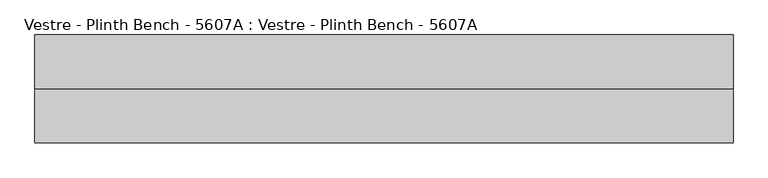
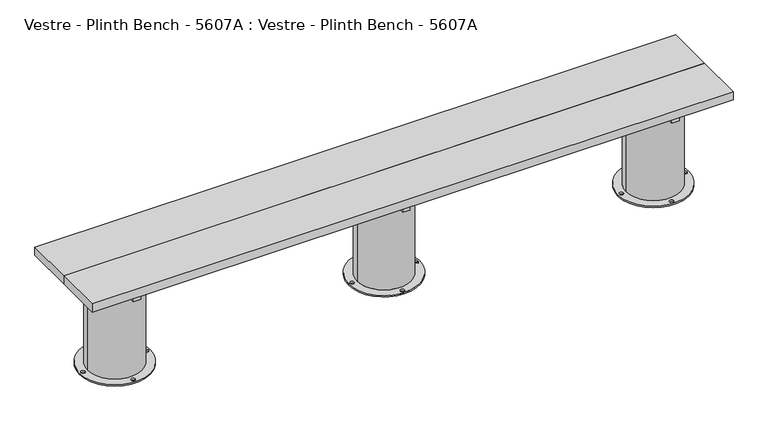
"""IFC4 building model written with IfcOpenShell, lengths in millimetres: furniture geometry, Vestre - Plinth Bench - 5607A : Vestre - Plinth Bench - 5607A."""

from ifc_helpers import new_model, si_unit, frame, origin, place, context, project, spatial, polyline, circle_curve, outline, extrude, source, transform, mapped, element, save
from ifc_brep_helpers import plane_surface, cylinder_surface, revolved_surface, advanced_brep


def vestre_plinth_bench_5607a_vestre_plinth_bench_5607a_1bccc7f6(model_context):
    return source(origin(), model_context, "Body", "SolidModel", [
        extrude(outline(polyline([(1310.5005464, -17.4998463), (1310.5005464, -219.9999989), (-1310.5005464, -219.9999989), (-1310.5005464, -17.4998463), (1310.5005464, -17.4998463)])), frame((0.0, 0.0, 414.9999847), z_axis=(0.0, 0.0, 1.0), x_axis=(1.0, 0.0, 0.0)), (0.0, 0.0, 1.0), 35.0000153),
        extrude(outline(polyline([(-1085.9800473, -378.0001515), (-1115.9983608, -378.0001515), (-1115.9983608, -62.0001515), (-1085.9800473, -62.0001515), (-1085.9800473, -378.0001515)])), frame((0.0, 0.0, 364.9999847), z_axis=(0.0, 0.0, 1.0), x_axis=(1.0, 0.0, 0.0)), (0.0, 0.0, 1.0), 50.0),
        extrude(outline(polyline([(1116.0204991, -378.0001515), (1086.0021856, -378.0001515), (1086.0021856, -62.0001515), (1116.0204991, -62.0001515), (1116.0204991, -378.0001515)])), frame((0.0, 0.0, 364.9999847), z_axis=(0.0, 0.0, 1.0), x_axis=(1.0, 0.0, 0.0)), (0.0, 0.0, 1.0), 50.0),
        extrude(outline(polyline([(15.0204991, -378.0001515), (-14.9978144, -378.0001515), (-14.9978144, -62.0001515), (15.0204991, -62.0001515), (15.0204991, -378.0001515)])), frame((0.0, 0.0, 364.9999847), z_axis=(0.0, 0.0, 1.0), x_axis=(1.0, 0.0, 0.0)), (0.0, 0.0, 1.0), 50.0),
        extrude(outline(polyline([(1089.0011479, -202.4998463), (1089.0011479, -237.5001515), (-1089.0005464, -237.5001515), (-1089.0005464, -202.4998463), (1089.0011479, -202.4998463)])), frame((0.0, 0.0, 274.9999847), z_axis=(0.0, 0.0, 1.0), x_axis=(1.0, 0.0, 0.0)), (0.0, 0.0, 1.0), 90.0),
        extrude(outline(polyline([(1310.5005464, -219.9999989), (1310.5005464, -422.5001515), (-1310.5005464, -422.5001515), (-1310.5005464, -219.9999989), (1310.5005464, -219.9999989)])), frame((0.0, 0.0, 414.9999847), z_axis=(0.0, 0.0, 1.0), x_axis=(1.0, 0.0, 0.0)), (0.0, 0.0, 1.0), 35.0000153),
        advanced_brep(
        [(992.8249813, -237.5001515, 364.9999847), (1210.5868599, -219.9999989, 364.9999847), (992.8250143, -202.4996428, 364.9999847), (1089.0011479, -202.4996428, 364.9999847), (1089.0011479, -237.5001515, 364.9999847), (956.4726273, -219.9999989, 0.0), (1245.5328368, -219.9999989, 0.0), (963.0010928, -219.9999989, 0.0), (979.0010928, -219.9999989, 0.0), (1093.0010928, -90.0001458, 0.0), (1109.0010928, -90.0001458, 0.0), (1239.0043713, -219.9999989, 0.0), (1223.0043713, -219.9999989, 0.0), (1093.0010928, -349.9998521, 0.0), (1109.0010928, -349.9998521, 0.0), (1210.5868599, -219.9999989, 5.8600001), (992.8249813, -237.5001515, 274.9999847), (991.4186041, -219.9999989, 274.9999847), (991.4186041, -219.9999989, 5.8600001), (992.8250143, -202.4996428, 274.9999847), (956.4726273, -219.9999989, 5.8600001), (1245.5328368, -219.9999989, 5.8600001), (963.0010928, -219.9999989, 5.8600001), (979.0010928, -219.9999989, 5.8600001), (1093.0010928, -90.0001458, 5.8600001), (1109.0010928, -90.0001458, 5.8600001), (1239.0043713, -219.9999989, 5.8600001), (1223.0043713, -219.9999989, 5.8600001), (1093.0010928, -349.9998521, 5.8600001), (1109.0010928, -349.9998521, 5.8600001), (1089.0011479, -237.5001515, 274.9999847), (1089.0011479, -202.4996428, 274.9999847)],
        [
            (0, 1, circle_curve(frame((1101.002732, -219.9999989, 364.9999847), z_axis=(0.0, 0.0, 1.0), x_axis=(1.0, 0.0, 0.0)), 109.5841279)),
            (1, 2, circle_curve(frame((1101.002732, -219.9999989, 364.9999847), z_axis=(0.0, 0.0, 1.0), x_axis=(1.0, 0.0, 0.0)), 109.5841279)),
            (2, 3),
            (3, 4),
            (4, 0),
            (5, 6, circle_curve(frame((1101.002732, -219.9999989, 0.0), z_axis=(0.0, 0.0, -1.0), x_axis=(1.0, 0.0, 0.0)), 144.5301047)),
            (6, 5, circle_curve(frame((1101.002732, -219.9999989, 0.0), z_axis=(0.0, 0.0, -1.0), x_axis=(1.0, 0.0, 0.0)), 144.5301047)),
            (7, 8, circle_curve(frame((971.0010928, -219.9999989, 0.0), z_axis=(0.0, 0.0, 1.0), x_axis=(1.0, 0.0, 0.0)), 8.0)),
            (8, 7, circle_curve(frame((971.0010928, -219.9999989, 0.0), z_axis=(0.0, 0.0, 1.0), x_axis=(1.0, 0.0, 0.0)), 8.0)),
            (9, 10, circle_curve(frame((1101.0010928, -90.0001458, 0.0), z_axis=(0.0, 0.0, 1.0), x_axis=(1.0, 0.0, 0.0)), 8.0)),
            (10, 9, circle_curve(frame((1101.0010928, -90.0001458, 0.0), z_axis=(0.0, 0.0, 1.0), x_axis=(1.0, 0.0, 0.0)), 8.0)),
            (11, 12, circle_curve(frame((1231.0043713, -219.9999989, 0.0), z_axis=(0.0, 0.0, 1.0), x_axis=(-1.0, 0.0, 0.0)), 8.0)),
            (12, 11, circle_curve(frame((1231.0043713, -219.9999989, 0.0), z_axis=(0.0, 0.0, 1.0), x_axis=(-1.0, 0.0, 0.0)), 8.0)),
            (13, 14, circle_curve(frame((1101.0010928, -349.9998521, 0.0), z_axis=(0.0, 0.0, 1.0), x_axis=(1.0, 0.0, 0.0)), 8.0)),
            (14, 13, circle_curve(frame((1101.0010928, -349.9998521, 0.0), z_axis=(0.0, 0.0, 1.0), x_axis=(1.0, 0.0, 0.0)), 8.0)),
            (15, 1),
            (0, 16),
            (16, 17, circle_curve(frame((1101.002732, -219.9999989, 274.9999847), z_axis=(0.0, 0.0, -1.0), x_axis=(1.0, 0.0, 0.0)), 109.5841279)),
            (17, 18),
            (18, 15, circle_curve(frame((1101.002732, -219.9999989, 5.8600001), z_axis=(0.0, 0.0, 1.0), x_axis=(1.0, 0.0, 0.0)), 109.5841279)),
            (15, 18, circle_curve(frame((1101.002732, -219.9999989, 5.8600001), z_axis=(0.0, 0.0, 1.0), x_axis=(1.0, 0.0, 0.0)), 109.5841279)),
            (17, 19, circle_curve(frame((1101.002732, -219.9999989, 274.9999847), z_axis=(0.0, 0.0, -1.0), x_axis=(1.0, 0.0, 0.0)), 109.5841279)),
            (19, 2),
            (20, 21, circle_curve(frame((1101.002732, -219.9999989, 5.8600001), z_axis=(0.0, 0.0, 1.0), x_axis=(1.0, 0.0, 0.0)), 144.5301047)),
            (21, 20, circle_curve(frame((1101.002732, -219.9999989, 5.8600001), z_axis=(0.0, 0.0, 1.0), x_axis=(1.0, 0.0, 0.0)), 144.5301047)),
            (22, 23, circle_curve(frame((971.0010928, -219.9999989, 5.8600001), z_axis=(0.0, 0.0, -1.0), x_axis=(1.0, 0.0, 0.0)), 8.0)),
            (23, 22, circle_curve(frame((971.0010928, -219.9999989, 5.8600001), z_axis=(0.0, 0.0, -1.0), x_axis=(1.0, 0.0, 0.0)), 8.0)),
            (24, 25, circle_curve(frame((1101.0010928, -90.0001458, 5.8600001), z_axis=(0.0, 0.0, -1.0), x_axis=(1.0, 0.0, 0.0)), 8.0)),
            (25, 24, circle_curve(frame((1101.0010928, -90.0001458, 5.8600001), z_axis=(0.0, 0.0, -1.0), x_axis=(1.0, 0.0, 0.0)), 8.0)),
            (26, 27, circle_curve(frame((1231.0043713, -219.9999989, 5.8600001), z_axis=(0.0, 0.0, -1.0), x_axis=(-1.0, 0.0, 0.0)), 8.0)),
            (27, 26, circle_curve(frame((1231.0043713, -219.9999989, 5.8600001), z_axis=(0.0, 0.0, -1.0), x_axis=(-1.0, 0.0, 0.0)), 8.0)),
            (28, 29, circle_curve(frame((1101.0010928, -349.9998521, 5.8600001), z_axis=(0.0, 0.0, -1.0), x_axis=(1.0, 0.0, 0.0)), 8.0)),
            (29, 28, circle_curve(frame((1101.0010928, -349.9998521, 5.8600001), z_axis=(0.0, 0.0, -1.0), x_axis=(1.0, 0.0, 0.0)), 8.0)),
            (20, 5),
            (6, 21),
            (22, 7),
            (8, 23),
            (24, 9),
            (10, 25),
            (26, 11),
            (12, 27),
            (28, 13),
            (14, 29),
            (30, 31),
            (31, 19),
            (16, 30),
            (4, 30),
            (3, 31),
        ],
        [
            plane_surface(frame((1210.5868599, -219.9999989, 364.9999847), z_axis=(0.0, 0.0, 1.0), x_axis=(0.0, 1.0, 0.0))),
            plane_surface(frame((1210.5868599, -219.9999989, 0.0), z_axis=(0.0, 0.0, -1.0), x_axis=(0.0, -1.0, 0.0))),
            cylinder_surface(frame((1101.002732, -219.9999989, 0.0), z_axis=(0.0, 0.0, 1.0), x_axis=(1.0, 0.0, 0.0)), 109.5841279),
            plane_surface(frame((1245.5328368, -219.9999989, 5.8600001), z_axis=(0.0, 0.0, 1.0), x_axis=(0.0, 1.0, 0.0))),
            cylinder_surface(frame((1101.002732, -219.9999989, 0.0), z_axis=(0.0, 0.0, 1.0), x_axis=(1.0, 0.0, 0.0)), 144.5301047),
            revolved_surface(polyline([(979.0010928, -219.9999989, 0.0), (979.0010928, -219.9999989, 5.8600001)]), (971.0010928, -219.9999989, 0.0), (0.0, 0.0, -1.0)),
            revolved_surface(polyline([(1109.0010928, -90.0001458, 0.0), (1109.0010928, -90.0001458, 5.8600001)]), (1101.0010928, -90.0001458, 0.0), (0.0, 0.0, -1.0)),
            revolved_surface(polyline([(1223.0043713, -219.9999989, 0.0), (1223.0043713, -219.9999989, 5.8600001)]), (1231.0043713, -219.9999989, 0.0), (0.0, 0.0, -1.0)),
            revolved_surface(polyline([(1109.0010928, -349.9998521, 0.0), (1109.0010928, -349.9998521, 5.8600001)]), (1101.0010928, -349.9998521, 0.0), (0.0, 0.0, -1.0)),
            plane_surface(frame((929.1366784, -202.4996428, 274.9999847), z_axis=(0.0, 0.0, 1.0), x_axis=(0.0, 1.0, 0.0))),
            plane_surface(frame((929.1366784, -237.5001515, 364.9999835), z_axis=(0.0, 1.0, 0.0), x_axis=(0.0, 0.0, -1.0))),
            plane_surface(frame((1089.0011479, -237.5001515, 364.9999835), z_axis=(-1.0, 0.0, 0.0), x_axis=(0.0, 0.0, -1.0))),
            plane_surface(frame((1089.0011479, -202.4996428, 364.9999835), z_axis=(0.0, -1.0, 0.0), x_axis=(0.0, 0.0, -1.0))),
        ],
        [
            (0, [[1, 2, 3, 4, 5]]),
            (1, [[6, 7], [8, 9], [10, 11], [12, 13], [14, 15]]),
            (2, [[16, -1, 17, 18, 19, 20]]),
            (2, [[-16, 21, -19, 22, 23, -2]]),
            (3, [[24, 25], [-20, -21], [26, 27], [28, 29], [30, 31], [32, 33]]),
            (4, [[-24, 34, -7, 35]]),
            (4, [[-25, -35, -6, -34]]),
            (5, [[-26, 36, -9, 37]]),
            (5, [[-27, -37, -8, -36]]),
            (6, [[-28, 38, -11, 39]]),
            (6, [[-29, -39, -10, -38]]),
            (7, [[-30, 40, -13, 41]]),
            (7, [[-31, -41, -12, -40]]),
            (8, [[-32, 42, -15, 43]]),
            (8, [[-33, -43, -14, -42]]),
            (9, [[44, 45, -22, -18, 46]]),
            (10, [[47, -46, -17, -5]]),
            (11, [[-44, -47, -4, 48]]),
            (12, [[-48, -3, -23, -45]]),
        ],
    ),
        advanced_brep(
        [(-108.1750187, -237.5001515, 364.9999847), (108.1804827, -237.5001515, 364.9999847), (108.1804827, -202.4998463, 364.9999847), (-108.1750187, -202.4998463, 364.9999847), (-144.5273727, -219.9999989, 0.0), (144.5328368, -219.9999989, 0.0), (-137.9989072, -219.9999989, 0.0), (-121.9989072, -219.9999989, 0.0), (-7.9989072, -90.0001458, 0.0), (8.0010928, -90.0001458, 0.0), (138.0043713, -219.9999989, 0.0), (122.0043713, -219.9999989, 0.0), (-7.9989072, -349.9998521, 0.0), (8.0010928, -349.9998521, 0.0), (-109.5813959, -219.9999989, 5.8600001), (109.5868599, -219.9999989, 5.8600001), (109.5868599, -219.9999989, 274.9999847), (108.1804827, -237.5001515, 274.9999847), (-108.1750187, -237.5001515, 274.9999847), (-109.5813959, -219.9999989, 274.9999847), (-108.1750187, -202.4998463, 274.9999847), (108.1804827, -202.4998463, 274.9999847), (-144.5273727, -219.9999989, 5.8600001), (144.5328368, -219.9999989, 5.8600001), (-137.9989072, -219.9999989, 5.8600001), (-121.9989072, -219.9999989, 5.8600001), (-7.9989072, -90.0001458, 5.8600001), (8.0010928, -90.0001458, 5.8600001), (138.0043713, -219.9999989, 5.8600001), (122.0043713, -219.9999989, 5.8600001), (-7.9989072, -349.9998521, 5.8600001), (8.0010928, -349.9998521, 5.8600001)],
        [
            (0, 1, circle_curve(frame((0.002732, -219.9999989, 364.9999847), z_axis=(0.0, 0.0, 1.0), x_axis=(1.0, 0.0, 0.0)), 109.5841279)),
            (1, 0),
            (2, 3, circle_curve(frame((0.002732, -219.9999989, 364.9999847), z_axis=(0.0, 0.0, 1.0), x_axis=(1.0, 0.0, 0.0)), 109.5841279)),
            (3, 2),
            (4, 5, circle_curve(frame((0.002732, -219.9999989, 0.0), z_axis=(0.0, 0.0, -1.0), x_axis=(1.0, 0.0, 0.0)), 144.5301047)),
            (5, 4, circle_curve(frame((0.002732, -219.9999989, 0.0), z_axis=(0.0, 0.0, -1.0), x_axis=(1.0, 0.0, 0.0)), 144.5301047)),
            (6, 7, circle_curve(frame((-129.9989072, -219.9999989, 0.0), z_axis=(0.0, 0.0, 1.0), x_axis=(1.0, 0.0, 0.0)), 8.0)),
            (7, 6, circle_curve(frame((-129.9989072, -219.9999989, 0.0), z_axis=(0.0, 0.0, 1.0), x_axis=(1.0, 0.0, 0.0)), 8.0)),
            (8, 9, circle_curve(frame((0.0010928, -90.0001458, 0.0), z_axis=(0.0, 0.0, 1.0), x_axis=(1.0, 0.0, 0.0)), 8.0)),
            (9, 8, circle_curve(frame((0.0010928, -90.0001458, 0.0), z_axis=(0.0, 0.0, 1.0), x_axis=(1.0, 0.0, 0.0)), 8.0)),
            (10, 11, circle_curve(frame((130.0043713, -219.9999989, 0.0), z_axis=(0.0, 0.0, 1.0), x_axis=(-1.0, 0.0, 0.0)), 8.0)),
            (11, 10, circle_curve(frame((130.0043713, -219.9999989, 0.0), z_axis=(0.0, 0.0, 1.0), x_axis=(-1.0, 0.0, 0.0)), 8.0)),
            (12, 13, circle_curve(frame((0.0010928, -349.9998521, 0.0), z_axis=(0.0, 0.0, 1.0), x_axis=(1.0, 0.0, 0.0)), 8.0)),
            (13, 12, circle_curve(frame((0.0010928, -349.9998521, 0.0), z_axis=(0.0, 0.0, 1.0), x_axis=(1.0, 0.0, 0.0)), 8.0)),
            (14, 15, circle_curve(frame((0.002732, -219.9999989, 5.8600001), z_axis=(0.0, 0.0, 1.0), x_axis=(1.0, 0.0, 0.0)), 109.5841279)),
            (15, 16),
            (16, 17, circle_curve(frame((0.002732, -219.9999989, 274.9999847), z_axis=(0.0, 0.0, -1.0), x_axis=(1.0, 0.0, 0.0)), 109.5841279)),
            (17, 1),
            (0, 18),
            (18, 19, circle_curve(frame((0.002732, -219.9999989, 274.9999847), z_axis=(0.0, 0.0, -1.0), x_axis=(1.0, 0.0, 0.0)), 109.5841279)),
            (19, 14),
            (15, 14, circle_curve(frame((0.002732, -219.9999989, 5.8600001), z_axis=(0.0, 0.0, 1.0), x_axis=(1.0, 0.0, 0.0)), 109.5841279)),
            (19, 20, circle_curve(frame((0.002732, -219.9999989, 274.9999847), z_axis=(0.0, 0.0, -1.0), x_axis=(1.0, 0.0, 0.0)), 109.5841279)),
            (20, 3),
            (2, 21),
            (21, 16, circle_curve(frame((0.002732, -219.9999989, 274.9999847), z_axis=(0.0, 0.0, -1.0), x_axis=(1.0, 0.0, 0.0)), 109.5841279)),
            (22, 23, circle_curve(frame((0.002732, -219.9999989, 5.8600001), z_axis=(0.0, 0.0, 1.0), x_axis=(1.0, 0.0, 0.0)), 144.5301047)),
            (23, 22, circle_curve(frame((0.002732, -219.9999989, 5.8600001), z_axis=(0.0, 0.0, 1.0), x_axis=(1.0, 0.0, 0.0)), 144.5301047)),
            (24, 25, circle_curve(frame((-129.9989072, -219.9999989, 5.8600001), z_axis=(0.0, 0.0, -1.0), x_axis=(1.0, 0.0, 0.0)), 8.0)),
            (25, 24, circle_curve(frame((-129.9989072, -219.9999989, 5.8600001), z_axis=(0.0, 0.0, -1.0), x_axis=(1.0, 0.0, 0.0)), 8.0)),
            (26, 27, circle_curve(frame((0.0010928, -90.0001458, 5.8600001), z_axis=(0.0, 0.0, -1.0), x_axis=(1.0, 0.0, 0.0)), 8.0)),
            (27, 26, circle_curve(frame((0.0010928, -90.0001458, 5.8600001), z_axis=(0.0, 0.0, -1.0), x_axis=(1.0, 0.0, 0.0)), 8.0)),
            (28, 29, circle_curve(frame((130.0043713, -219.9999989, 5.8600001), z_axis=(0.0, 0.0, -1.0), x_axis=(-1.0, 0.0, 0.0)), 8.0)),
            (29, 28, circle_curve(frame((130.0043713, -219.9999989, 5.8600001), z_axis=(0.0, 0.0, -1.0), x_axis=(-1.0, 0.0, 0.0)), 8.0)),
            (30, 31, circle_curve(frame((0.0010928, -349.9998521, 5.8600001), z_axis=(0.0, 0.0, -1.0), x_axis=(1.0, 0.0, 0.0)), 8.0)),
            (31, 30, circle_curve(frame((0.0010928, -349.9998521, 5.8600001), z_axis=(0.0, 0.0, -1.0), x_axis=(1.0, 0.0, 0.0)), 8.0)),
            (22, 4),
            (5, 23),
            (24, 6),
            (7, 25),
            (26, 8),
            (9, 27),
            (28, 10),
            (11, 29),
            (30, 12),
            (13, 31),
            (21, 20),
            (18, 17),
        ],
        [
            plane_surface(frame((109.5868599, -219.9999989, 364.9999847), z_axis=(0.0, 0.0, 1.0), x_axis=(0.0, 1.0, 0.0))),
            plane_surface(frame((109.5868599, -219.9999989, 0.0), z_axis=(0.0, 0.0, -1.0), x_axis=(0.0, -1.0, 0.0))),
            cylinder_surface(frame((0.002732, -219.9999989, 0.0), z_axis=(0.0, 0.0, 1.0), x_axis=(1.0, 0.0, 0.0)), 109.5841279),
            plane_surface(frame((144.5328368, -219.9999989, 5.8600001), z_axis=(0.0, 0.0, 1.0), x_axis=(0.0, 1.0, 0.0))),
            cylinder_surface(frame((0.002732, -219.9999989, 0.0), z_axis=(0.0, 0.0, 1.0), x_axis=(1.0, 0.0, 0.0)), 144.5301047),
            revolved_surface(polyline([(-121.99890719999999, -219.9999989, 0.0), (-121.99890719999999, -219.9999989, 5.8600001)]), (-129.9989072, -219.9999989, 0.0), (0.0, 0.0, -1.0)),
            revolved_surface(polyline([(8.0010928, -90.0001458, 0.0), (8.0010928, -90.0001458, 5.8600001)]), (0.0010928, -90.0001458, 0.0), (0.0, 0.0, -1.0)),
            revolved_surface(polyline([(122.0043713, -219.9999989, 0.0), (122.0043713, -219.9999989, 5.8600001)]), (130.0043713, -219.9999989, 0.0), (0.0, 0.0, -1.0)),
            revolved_surface(polyline([(8.0010928, -349.9998521, 0.0), (8.0010928, -349.9998521, 5.8600001)]), (0.0010928, -349.9998521, 0.0), (0.0, 0.0, -1.0)),
            plane_surface(frame((-130.4989072, -202.4998463, 274.9999847), z_axis=(0.0, 0.0, 1.0), x_axis=(1.0, 0.0, 0.0))),
            plane_surface(frame((-130.4989072, -202.4998463, 364.9999847), z_axis=(0.0, -1.0, 0.0), x_axis=(1.0, 0.0, 0.0))),
            plane_surface(frame((-130.4989072, -237.5001515, 274.9999847), z_axis=(0.0, 1.0, 0.0), x_axis=(1.0, 0.0, 0.0))),
        ],
        [
            (0, [[1, 2]]),
            (0, [[3, 4]]),
            (1, [[5, 6], [7, 8], [9, 10], [11, 12], [13, 14]]),
            (2, [[15, 16, 17, 18, -1, 19, 20, 21]]),
            (2, [[22, -21, 23, 24, -3, 25, 26, -16]]),
            (3, [[27, 28], [-15, -22], [29, 30], [31, 32], [33, 34], [35, 36]]),
            (4, [[-27, 37, -6, 38]]),
            (4, [[-28, -38, -5, -37]]),
            (5, [[-29, 39, -8, 40]]),
            (5, [[-30, -40, -7, -39]]),
            (6, [[-31, 41, -10, 42]]),
            (6, [[-32, -42, -9, -41]]),
            (7, [[-33, 43, -12, 44]]),
            (7, [[-34, -44, -11, -43]]),
            (8, [[-35, 45, -14, 46]]),
            (8, [[-36, -46, -13, -45]]),
            (9, [[47, -23, -20, 48, -17, -26]]),
            (10, [[-47, -25, -4, -24]]),
            (11, [[-48, -19, -2, -18]]),
        ],
    ),
        advanced_brep(
        [(-1210.5819423, -219.9999989, 364.9999847), (-992.8200637, -237.5001515, 364.9999847), (-1088.9994536, -237.5001515, 364.9999847), (-1088.9994536, -202.4998463, 364.9999847), (-992.8200637, -202.4998463, 364.9999847), (-1245.5279191, -219.9999989, 0.0), (-956.4677096, -219.9999989, 0.0), (-1238.9994536, -219.9999989, 0.0), (-1222.9994536, -219.9999989, 0.0), (-1108.9994536, -90.0001458, 0.0), (-1092.9994536, -90.0001458, 0.0), (-962.9961752, -219.9999989, 0.0), (-978.9961752, -219.9999989, 0.0), (-1108.9994536, -349.9998521, 0.0), (-1092.9994536, -349.9998521, 0.0), (-1210.5819423, -219.9999989, 5.8600001), (-991.4136865, -219.9999989, 5.8600001), (-991.4136865, -219.9999989, 274.9999847), (-992.8200637, -237.5001515, 274.9999847), (-992.8200637, -202.4998463, 274.9999847), (-1245.5279191, -219.9999989, 5.8600001), (-956.4677096, -219.9999989, 5.8600001), (-1238.9994536, -219.9999989, 5.8600001), (-1222.9994536, -219.9999989, 5.8600001), (-1108.9994536, -90.0001458, 5.8600001), (-1092.9994536, -90.0001458, 5.8600001), (-962.9961752, -219.9999989, 5.8600001), (-978.9961752, -219.9999989, 5.8600001), (-1108.9994536, -349.9998521, 5.8600001), (-1092.9994536, -349.9998521, 5.8600001), (-1088.9994536, -237.5001515, 274.9999847), (-1088.9994536, -202.4998463, 274.9999847)],
        [
            (0, 1, circle_curve(frame((-1100.9978144, -219.9999989, 364.9999847), z_axis=(0.0, 0.0, 1.0), x_axis=(1.0, 0.0, 0.0)), 109.5841279)),
            (1, 2),
            (2, 3),
            (3, 4),
            (4, 0, circle_curve(frame((-1100.9978144, -219.9999989, 364.9999847), z_axis=(0.0, 0.0, 1.0), x_axis=(1.0, 0.0, 0.0)), 109.5841279)),
            (5, 6, circle_curve(frame((-1100.9978144, -219.9999989, 0.0), z_axis=(0.0, 0.0, -1.0), x_axis=(1.0, 0.0, 0.0)), 144.5301047)),
            (6, 5, circle_curve(frame((-1100.9978144, -219.9999989, 0.0), z_axis=(0.0, 0.0, -1.0), x_axis=(1.0, 0.0, 0.0)), 144.5301047)),
            (7, 8, circle_curve(frame((-1230.9994536, -219.9999989, 0.0), z_axis=(0.0, 0.0, 1.0), x_axis=(1.0, 0.0, 0.0)), 8.0)),
            (8, 7, circle_curve(frame((-1230.9994536, -219.9999989, 0.0), z_axis=(0.0, 0.0, 1.0), x_axis=(1.0, 0.0, 0.0)), 8.0)),
            (9, 10, circle_curve(frame((-1100.9994536, -90.0001458, 0.0), z_axis=(0.0, 0.0, 1.0), x_axis=(1.0, 0.0, 0.0)), 8.0)),
            (10, 9, circle_curve(frame((-1100.9994536, -90.0001458, 0.0), z_axis=(0.0, 0.0, 1.0), x_axis=(1.0, 0.0, 0.0)), 8.0)),
            (11, 12, circle_curve(frame((-970.9961752, -219.9999989, 0.0), z_axis=(0.0, 0.0, 1.0), x_axis=(-1.0, 0.0, 0.0)), 8.0)),
            (12, 11, circle_curve(frame((-970.9961752, -219.9999989, 0.0), z_axis=(0.0, 0.0, 1.0), x_axis=(-1.0, 0.0, 0.0)), 8.0)),
            (13, 14, circle_curve(frame((-1100.9994536, -349.9998521, 0.0), z_axis=(0.0, 0.0, 1.0), x_axis=(1.0, 0.0, 0.0)), 8.0)),
            (14, 13, circle_curve(frame((-1100.9994536, -349.9998521, 0.0), z_axis=(0.0, 0.0, 1.0), x_axis=(1.0, 0.0, 0.0)), 8.0)),
            (0, 15),
            (15, 16, circle_curve(frame((-1100.9978144, -219.9999989, 5.8600001), z_axis=(0.0, 0.0, 1.0), x_axis=(1.0, 0.0, 0.0)), 109.5841279)),
            (16, 17),
            (17, 18, circle_curve(frame((-1100.9978144, -219.9999989, 274.9999847), z_axis=(0.0, 0.0, -1.0), x_axis=(1.0, 0.0, 0.0)), 109.5841279)),
            (18, 1),
            (4, 19),
            (19, 17, circle_curve(frame((-1100.9978144, -219.9999989, 274.9999847), z_axis=(0.0, 0.0, -1.0), x_axis=(1.0, 0.0, 0.0)), 109.5841279)),
            (16, 15, circle_curve(frame((-1100.9978144, -219.9999989, 5.8600001), z_axis=(0.0, 0.0, 1.0), x_axis=(1.0, 0.0, 0.0)), 109.5841279)),
            (20, 21, circle_curve(frame((-1100.9978144, -219.9999989, 5.8600001), z_axis=(0.0, 0.0, 1.0), x_axis=(1.0, 0.0, 0.0)), 144.5301047)),
            (21, 20, circle_curve(frame((-1100.9978144, -219.9999989, 5.8600001), z_axis=(0.0, 0.0, 1.0), x_axis=(1.0, 0.0, 0.0)), 144.5301047)),
            (22, 23, circle_curve(frame((-1230.9994536, -219.9999989, 5.8600001), z_axis=(0.0, 0.0, -1.0), x_axis=(1.0, 0.0, 0.0)), 8.0)),
            (23, 22, circle_curve(frame((-1230.9994536, -219.9999989, 5.8600001), z_axis=(0.0, 0.0, -1.0), x_axis=(1.0, 0.0, 0.0)), 8.0)),
            (24, 25, circle_curve(frame((-1100.9994536, -90.0001458, 5.8600001), z_axis=(0.0, 0.0, -1.0), x_axis=(1.0, 0.0, 0.0)), 8.0)),
            (25, 24, circle_curve(frame((-1100.9994536, -90.0001458, 5.8600001), z_axis=(0.0, 0.0, -1.0), x_axis=(1.0, 0.0, 0.0)), 8.0)),
            (26, 27, circle_curve(frame((-970.9961752, -219.9999989, 5.8600001), z_axis=(0.0, 0.0, -1.0), x_axis=(-1.0, 0.0, 0.0)), 8.0)),
            (27, 26, circle_curve(frame((-970.9961752, -219.9999989, 5.8600001), z_axis=(0.0, 0.0, -1.0), x_axis=(-1.0, 0.0, 0.0)), 8.0)),
            (28, 29, circle_curve(frame((-1100.9994536, -349.9998521, 5.8600001), z_axis=(0.0, 0.0, -1.0), x_axis=(1.0, 0.0, 0.0)), 8.0)),
            (29, 28, circle_curve(frame((-1100.9994536, -349.9998521, 5.8600001), z_axis=(0.0, 0.0, -1.0), x_axis=(1.0, 0.0, 0.0)), 8.0)),
            (20, 5),
            (6, 21),
            (22, 7),
            (8, 23),
            (24, 9),
            (10, 25),
            (26, 11),
            (12, 27),
            (28, 13),
            (14, 29),
            (30, 31),
            (31, 3),
            (2, 30),
            (30, 18),
            (19, 31),
        ],
        [
            plane_surface(frame((-991.4136865, -219.9999989, 364.9999847), z_axis=(0.0, 0.0, 1.0), x_axis=(0.0, 1.0, 0.0))),
            plane_surface(frame((-991.4136865, -219.9999989, 0.0), z_axis=(0.0, 0.0, -1.0), x_axis=(0.0, -1.0, 0.0))),
            cylinder_surface(frame((-1100.9978144, -219.9999989, 0.0), z_axis=(0.0, 0.0, 1.0), x_axis=(1.0, 0.0, 0.0)), 109.5841279),
            plane_surface(frame((-956.4677096, -219.9999989, 5.8600001), z_axis=(0.0, 0.0, 1.0), x_axis=(0.0, 1.0, 0.0))),
            cylinder_surface(frame((-1100.9978144, -219.9999989, 0.0), z_axis=(0.0, 0.0, 1.0), x_axis=(1.0, 0.0, 0.0)), 144.5301047),
            revolved_surface(polyline([(-1222.9994536, -219.9999989, 0.0), (-1222.9994536, -219.9999989, 5.8600001)]), (-1230.9994536, -219.9999989, 0.0), (0.0, 0.0, -1.0)),
            revolved_surface(polyline([(-1092.9994536, -90.0001458, 0.0), (-1092.9994536, -90.0001458, 5.8600001)]), (-1100.9994536, -90.0001458, 0.0), (0.0, 0.0, -1.0)),
            revolved_surface(polyline([(-978.9961752, -219.9999989, 0.0), (-978.9961752, -219.9999989, 5.8600001)]), (-970.9961752, -219.9999989, 0.0), (0.0, 0.0, -1.0)),
            revolved_surface(polyline([(-1092.9994536, -349.9998521, 0.0), (-1092.9994536, -349.9998521, 5.8600001)]), (-1100.9994536, -349.9998521, 0.0), (0.0, 0.0, -1.0)),
            plane_surface(frame((-1088.9994536, -202.4998463, 274.9999847), z_axis=(1.0, 0.0, 0.0), x_axis=(0.0, -1.0, 0.0))),
            plane_surface(frame((-970.4989072, -237.5001515, 274.9999847), z_axis=(0.0, 0.0, 1.0), x_axis=(-1.0, 0.0, 0.0))),
            plane_surface(frame((-970.4989072, -202.4998463, 274.9999847), z_axis=(0.0, -1.0, 0.0), x_axis=(-1.0, 0.0, 0.0))),
            plane_surface(frame((-970.4989072, -237.5001515, 364.9999847), z_axis=(0.0, 1.0, 0.0), x_axis=(-1.0, 0.0, 0.0))),
        ],
        [
            (0, [[1, 2, 3, 4, 5]]),
            (1, [[6, 7], [8, 9], [10, 11], [12, 13], [14, 15]]),
            (2, [[16, 17, 18, 19, 20, -1]]),
            (2, [[-16, -5, 21, 22, -18, 23]]),
            (3, [[24, 25], [-17, -23], [26, 27], [28, 29], [30, 31], [32, 33]]),
            (4, [[-24, 34, -7, 35]]),
            (4, [[-25, -35, -6, -34]]),
            (5, [[-26, 36, -9, 37]]),
            (5, [[-27, -37, -8, -36]]),
            (6, [[-28, 38, -11, 39]]),
            (6, [[-29, -39, -10, -38]]),
            (7, [[-30, 40, -13, 41]]),
            (7, [[-31, -41, -12, -40]]),
            (8, [[-32, 42, -15, 43]]),
            (8, [[-33, -43, -14, -42]]),
            (9, [[44, 45, -3, 46]]),
            (10, [[-44, 47, -19, -22, 48]]),
            (11, [[-45, -48, -21, -4]]),
            (12, [[-46, -2, -20, -47]]),
        ],
    ),
    ])


if __name__ == "__main__":
    model = new_model("IFC4")
    model_context = context("Model", 3, world=origin())
    ifc_project = project(units=[si_unit("LENGTHUNIT", "METRE", prefix="MILLI")], contexts=[model_context])
    site = spatial("IfcSite", under=ifc_project)
    building = spatial("IfcBuilding", under=site)
    placement = place(None, origin())
    vestre_plinth_bench_5607a_vestre_plinth_bench_5607a_shape = vestre_plinth_bench_5607a_vestre_plinth_bench_5607a_1bccc7f6(model_context)
    element("IfcFurniture", 1, ObjectType="Vestre - Plinth Bench - 5607A : Vestre - Plinth Bench - 5607A", at=placement, inside=building, context=model_context, shape_type="MappedRepresentation", body=[
        mapped(vestre_plinth_bench_5607a_vestre_plinth_bench_5607a_shape, transform((0.0, 0.0, 0.0), x_axis=(1.0, 0.0, 0.0), y_axis=(0.0, 1.0, 0.0), z_axis=(0.0, 0.0, 1.0))),
    ])
    save(model, "model.ifc")
